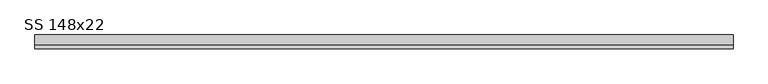
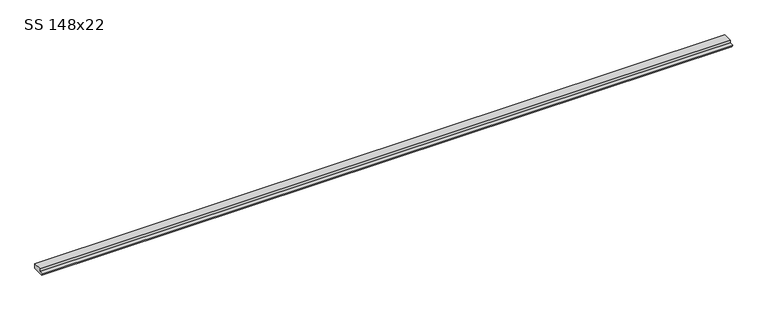
"""IFC4 building model written with IfcOpenShell, lengths in millimetres: beam geometry, SS 148x22."""

from ifc_helpers import new_model, si_unit, frame, origin, place, context, project, spatial, polyline, outline, extrude, source, transform, mapped, element, save


def ss_148x22_25f257bb(model_context):
    return source(origin(), model_context, "Body", "SweptSolid", [
        extrude(outline(polyline([(-46.0, 0.0), (-46.0, 11.0), (-4.0, 11.0), (-4.0, -11.0), (-57.649147, -11.0), (-64.0, 0.0), (-46.0, 0.0)])), frame((-1524.0, 0.0, 0.0), z_axis=(1.0, 0.0, 0.0), x_axis=(0.0, 1.0, 0.0)), (0.0, 0.0, 1.0), 3048.0),
    ])


if __name__ == "__main__":
    model = new_model("IFC4")
    model_context = context("Model", 3, world=origin())
    ifc_project = project(units=[si_unit("LENGTHUNIT", "METRE", prefix="MILLI")], contexts=[model_context])
    site = spatial("IfcSite", under=ifc_project)
    building = spatial("IfcBuilding", under=site)
    placement = place(None, origin())
    ss_148x22_shape = ss_148x22_25f257bb(model_context)
    element("IfcBeam", 1, ObjectType="SS 148x22", at=placement, inside=building, context=model_context, shape_type="MappedRepresentation", body=[
        mapped(ss_148x22_shape, transform((0.0, 0.0, 0.0), x_axis=(1.0, 0.0, 0.0), y_axis=(0.0, 1.0, 0.0), z_axis=(0.0, 0.0, 1.0))),
    ])
    save(model, "model.ifc")
